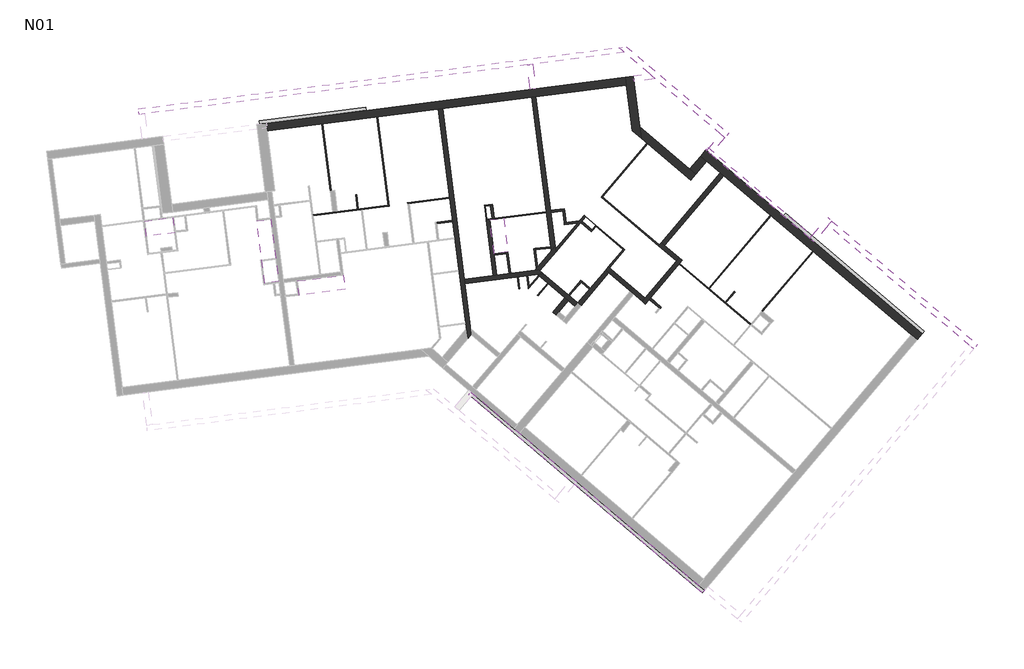
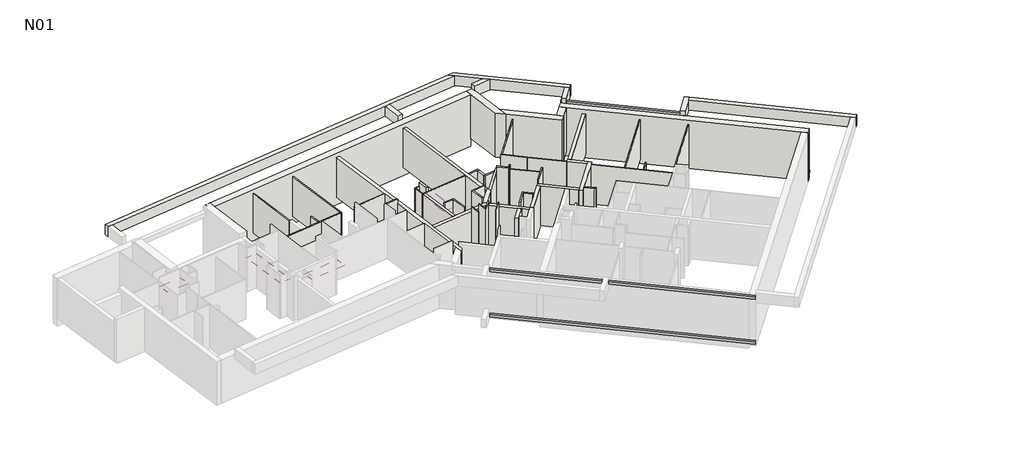
# One storey, part 3 of 3: 61 walls, 5 proxies, 4 coverings.
"""IFC4 building model written with IfcOpenShell, lengths in millimetres."""

from ifc_helpers import new_model, si_unit, frame, origin, place, context, project, spatial, polyline, outline, extrude, faceted_brep, element, save

model = new_model("IFC4")

# Units and contexts
model_context = context("Model", 3, world=origin())
ifc_project = project(units=[si_unit("LENGTHUNIT", "METRE", prefix="MILLI")], contexts=[model_context])

# Site, building, storey
site = spatial("IfcSite", under=ifc_project)
building = spatial("IfcBuilding", under=site)
storey = spatial("IfcBuildingStorey", under=building, Name="N01", Elevation=3070.0)

# Proxies
placement = place(None, origin())
element("IfcBuildingElementProxy", 1, Name="Wall Sweeps", at=placement, inside=storey, context=model_context, shape_type="Brep", body=[
    faceted_brep([(18742.8476858, 2975.0244292, 5982.4), (18742.8476858, 2975.0244292, 5830.0), (18828.5197694, 3075.9702271, 5830.0), (18841.4611717, 3091.218837, 5830.0), (18841.4611717, 3091.218837, 5982.4), (18828.5197694, 3075.9702271, 5982.4), (7979.7679212, 12109.5846437, 5830.0), (7979.7679212, 12109.5846437, 5982.4), (8078.3814071, 12225.7790515, 5982.4), (8078.3814071, 12225.7790515, 5830.0)], [[[0, 1, 2, 3, 4, 5]], [[6, 7, 8, 9]], [[1, 0, 7, 6]], [[4, 3, 9, 8]], [[8, 7, 0, 5, 4]], [[6, 9, 3, 2, 1]]]),
])
element("IfcBuildingElementProxy", 2, Name="Wall Sweeps", at=placement, inside=storey, context=model_context, shape_type="Brep", body=[
    faceted_brep([(18742.8476858, 2975.0244292, 3132.4), (18742.8476858, 2975.0244292, 2980.0), (18828.5197694, 3075.9702271, 2980.0), (18841.4611717, 3091.218837, 2980.0), (18841.4611717, 3091.218837, 3132.4), (18828.5197694, 3075.9702271, 3132.4), (8078.8838858, 12025.4655285, 2980.0), (8078.8838858, 12025.4655285, 3132.4), (8177.4973717, 12141.6599362, 3132.4), (8177.4973717, 12141.6599362, 2980.0)], [[[0, 1, 2, 3, 4, 5]], [[6, 7, 8, 9]], [[1, 0, 7, 6]], [[4, 3, 9, 8]], [[8, 7, 0, 5, 4]], [[6, 9, 3, 2, 1]]]),
])
element("IfcBuildingElementProxy", 3, Name="Wall Sweeps", at=placement, inside=storey, context=model_context, shape_type="Brep", body=[
    faceted_brep([(22573.2536393, 20453.6783445, 3132.4), (22573.2536393, 20453.6783445, 2980.0), (22474.640153, 20337.483937, 2980.0), (22474.640153, 20337.483937, 3132.4), (28969.6614771, 15025.0859519, 2980.0), (28969.6614771, 15025.0859519, 3132.4), (28883.9893932, 14924.1401543, 3132.4), (28871.0479908, 14908.8915444, 3132.4), (28871.0479908, 14908.8915444, 2980.0), (28883.9893932, 14924.1401543, 2980.0)], [[[0, 1, 2, 3]], [[4, 5, 6, 7, 8, 9]], [[1, 0, 5, 4]], [[3, 2, 8, 7]], [[0, 3, 7, 6, 5]], [[2, 1, 4, 9, 8]]]),
])
element("IfcBuildingElementProxy", 4, Name="Wall Sweeps", at=placement, inside=storey, context=model_context, shape_type="SweptSolid", body=[
    extrude(outline(polyline([(18893.2716656, 23376.9695701), (18991.8851519, 23493.1639775), (23786.5827277, 19423.9333336), (23687.9692414, 19307.7389261), (18893.2716656, 23376.9695701)])), frame((0.0, 0.0, 5830.0), z_axis=(0.0, 0.0, 1.0), x_axis=(1.0, 0.0, 0.0)), (0.0, 0.0, 1.0), 152.4),
])
element("IfcBuildingElementProxy", 5, Name="Wall Sweeps", at=placement, inside=storey, context=model_context, shape_type="SweptSolid", body=[
    extrude(outline(polyline([(-1643.4855038, 24570.2175808), (-1662.8063647, 24721.3878965), (3242.2934441, 25348.3016586), (3261.6143051, 25197.1313429), (-1643.4855038, 24570.2175808)])), frame((0.0, 0.0, 2980.0), z_axis=(0.0, 0.0, 1.0), x_axis=(1.0, 0.0, 0.0)), (0.0, 0.0, 1.0), 152.4),
])

# Coverings
element("IfcCovering", 6, at=placement, inside=storey, context=model_context, shape_type="SweptSolid", body=[
    extrude(outline(polyline([(-5655.6614488, 20262.8452919), (-5566.9173369, 19568.4934484), (-6866.3471067, 19402.4151957), (-6955.0912187, 20096.7670392), (-5655.6614488, 20262.8452919)])), frame((0.0, 0.0, 5270.0), z_axis=(0.0, 0.0, 1.0), x_axis=(1.0, 0.0, 0.0)), (0.0, 0.0, 1.0), 200.0),
])
element("IfcCovering", 7, at=placement, inside=storey, context=model_context, shape_type="SweptSolid", body=[
    extrude(outline(polyline([(-1133.4915958, 20185.5299468), (-767.4637918, 17321.6545303), (-1412.2190751, 17239.2492835), (-1778.2468791, 20103.1247), (-1133.4915958, 20185.5299468)])), frame((0.0, 0.0, 5270.0), z_axis=(0.0, 0.0, 1.0), x_axis=(1.0, 0.0, 0.0)), (0.0, 0.0, 1.0), 200.0),
])
element("IfcCovering", 8, at=placement, inside=storey, context=model_context, shape_type="SweptSolid", body=[
    extrude(outline(polyline([(2197.7093677, 17602.6069365), (2279.1565396, 16947.6478588), (168.5348616, 16685.1823515), (87.0876897, 17340.1414292), (2197.7093677, 17602.6069365)])), frame((0.0, 0.0, 5270.0), z_axis=(0.0, 0.0, 1.0), x_axis=(1.0, 0.0, 0.0)), (0.0, 0.0, 1.0), 200.0),
])
element("IfcCovering", 9, at=placement, inside=storey, context=model_context, shape_type="SweptSolid", body=[
    extrude(outline(polyline([(9579.1307714, 20232.9999918), (9778.1711367, 18675.6679999), (9147.9611711, 18595.1217693), (8948.9208057, 20152.4537612), (9579.1307714, 20232.9999918)])), frame((0.0, 0.0, 5270.0), z_axis=(0.0, 0.0, 1.0), x_axis=(1.0, 0.0, 0.0)), (0.0, 0.0, 1.0), 200.0),
])

# Walls
element("IfcWall", 10, at=placement, inside=storey, context=model_context, shape_type="Brep", body=[
    faceted_brep([(18653.8557222, 23094.8702861, 2800.0), (28349.5327642, 14866.2082048, 2800.0), (28631.6320474, 14626.7922604, 2800.0), (28631.6320474, 14626.7922604, 5840.0), (28349.5327642, 14866.2082048, 5840.0), (18935.9550054, 22855.4543417, 5840.0), (18653.8557222, 23094.8702861, 5840.0), (18653.8557222, 23094.8702861, 3070.0), (28871.0479908, 14908.8915444, 2800.0), (18893.2716656, 23376.9695701, 2800.0), (18893.2716656, 23376.9695701, 5840.0), (28871.0479908, 14908.8915444, 5840.0), (28871.0479908, 14908.8915444, 3380.0), (28715.7511627, 14725.9082251, 2800.0)], [[[0, 1, 2, 3, 4, 5, 6, 7]], [[8, 9, 10, 11, 12]], [[2, 1, 0, 9, 8, 13]], [[6, 5, 4, 3, 11, 10]], [[0, 7, 6, 10, 9]], [[11, 3, 2, 13, 8, 12]]]),
])
element("IfcWall", 11, at=placement, inside=storey, context=model_context, shape_type="Brep", body=[
    faceted_brep([(6573.8266873, 25247.4507116, 3070.0), (7091.298347, 21198.648002, 3070.0), (7097.6372121, 21149.0514417, 3070.0), (7227.2035217, 20135.2984845, 3070.0), (7236.0779329, 20065.8633002, 3070.0), (7330.9074492, 19323.8980245, 3070.0), (7337.2463143, 19274.3014642, 3070.0), (7522.1261366, 17827.764419, 3070.0), (7528.4650018, 17778.1678588, 3070.0), (7830.1949823, 15417.3715908, 3070.0), (7836.5338475, 15367.7750306, 3070.0), (7865.2890942, 15142.7881766, 3070.0), (7925.3724793, 14672.6836444, 3070.0), (7925.3724793, 14672.6836444, 5570.0), (7865.2890942, 15142.7881766, 5570.0), (7528.4650018, 17778.1678588, 5570.0), (7522.1261366, 17827.764419, 5570.0), (7337.2463143, 19274.3014642, 5570.0), (7330.9074492, 19323.8980245, 5570.0), (7097.6372121, 21149.0514417, 5570.0), (7091.298347, 21198.648002, 5570.0), (6573.8266873, 25247.4507116, 5570.0), (6772.2129283, 25272.8061722, 3070.0), (6772.2129283, 25272.8061722, 5570.0), (7775.7214118, 17421.1532528, 5570.0), (7801.0768724, 17222.7670118, 5570.0), (8100.609629, 14879.1622679, 5570.0), (8100.609629, 14879.1622679, 3070.0), (8066.276266, 15147.7934292, 3070.0), (7801.0768724, 17222.7670118, 3070.0), (7775.7214118, 17421.1532528, 3070.0), (8089.348342, 14865.8933062, 3070.0)], [[[0, 1, 2, 3, 4, 5, 6, 7, 8, 9, 10, 11, 12, 13, 14, 15, 16, 17, 18, 19, 20, 21]], [[22, 23, 24, 25, 26, 27, 28, 29, 30]], [[12, 11, 10, 9, 8, 7, 6, 5, 4, 3, 2, 1, 0, 22, 30, 29, 28, 27, 31]], [[21, 20, 19, 18, 17, 16, 15, 14, 13, 26, 25, 24, 23]], [[13, 12, 31, 27, 26]], [[0, 21, 23, 22]]]),
])
element("IfcWall", 12, at=placement, inside=storey, context=model_context, shape_type="Brep", body=[
    faceted_brep([(11193.6909618, 17857.9990323, 3070.0), (7775.7214118, 17421.1532528, 3070.0), (7775.7214118, 17421.1532528, 5570.0), (11193.6909618, 17857.9990323, 5570.0), (11400.1695853, 17682.7618826, 3070.0), (11400.1695853, 17682.7618826, 5570.0), (11131.5384241, 17648.4285197, 5570.0), (7801.0768724, 17222.7670118, 5570.0), (7801.0768724, 17222.7670118, 3070.0), (10201.5503886, 17529.5680845, 3070.0), (10251.1469488, 17535.9069496, 3070.0), (10647.9194308, 17586.6178707, 3070.0), (10697.5159911, 17592.9567358, 3070.0), (11131.5384241, 17648.4285197, 3070.0)], [[[0, 1, 2, 3]], [[4, 5, 6, 7, 8, 9, 10, 11, 12, 13]], [[1, 0, 4, 13, 12, 11, 10, 9, 8]], [[3, 2, 7, 6, 5]], [[2, 1, 8, 7]], [[0, 3, 5, 4]]]),
])
element("IfcWall", 13, at=placement, inside=storey, context=model_context, shape_type="Brep", body=[
    faceted_brep([(14881.1827443, 28093.5998998, 5510.0), (15149.6049549, 27865.7916052, 5510.0), (16305.8852466, 26884.4635671, 5510.0), (16574.3074572, 26656.6552726, 5510.0), (19576.408441, 24108.79046, 5510.0), (19774.6403703, 23940.5522295, 5510.0), (19774.6403703, 23940.5522295, 6150.0), (19576.408441, 24108.79046, 6150.0), (16574.3074572, 26656.6552726, 6150.0), (16305.8852466, 26884.4635671, 6150.0), (15149.6049549, 27865.7916052, 6150.0), (14881.1827443, 28093.5998998, 6150.0), (15230.4032539, 28138.2332716, 5510.0), (15230.4032539, 28138.2332716, 6150.0), (19942.8786008, 24138.7841588, 6150.0), (19942.8786008, 24138.7841588, 5510.0)], [[[0, 1, 2, 3, 4, 5, 6, 7, 8, 9, 10, 11]], [[12, 13, 14, 15]], [[5, 4, 3, 2, 1, 0, 12, 15]], [[11, 10, 9, 8, 7, 6, 14, 13]], [[6, 5, 15, 14]], [[0, 11, 13, 12]]]),
])
element("IfcWall", 14, at=placement, inside=storey, context=model_context, shape_type="Brep", body=[
    faceted_brep([(16117.4722812, 16278.6968395, 3070.0), (17665.7819934, 18103.0409285, 3070.0), (17698.1354993, 18141.1624533, 3070.0), (17819.26669, 18283.8890473, 3070.0), (17819.26669, 18283.8890473, 5570.0), (17698.1354993, 18141.1624533, 5570.0), (17665.7819934, 18103.0409285, 5570.0), (16117.4722812, 16278.6968395, 5570.0), (15964.9861818, 16408.110863, 3070.0), (15964.9861818, 16408.110863, 5570.0), (16094.4002053, 16560.5969624, 5570.0), (17537.366567, 18260.8169713, 5570.0), (17666.7805905, 18413.3030708, 5570.0), (17666.7805905, 18413.3030708, 3070.0), (17537.366567, 18260.8169713, 3070.0), (16094.4002053, 16560.5969624, 3070.0)], [[[0, 1, 2, 3, 4, 5, 6, 7]], [[8, 9, 10, 11, 12, 13, 14, 15]], [[3, 2, 1, 0, 8, 15, 14, 13]], [[7, 6, 5, 4, 12, 11, 10, 9]], [[4, 3, 13, 12]], [[0, 7, 9, 8]]]),
])
element("IfcWall", 15, at=placement, inside=storey, context=model_context, shape_type="Brep", body=[
    faceted_brep([(16094.4002053, 16560.5969624, 3070.0), (14463.2402497, 17944.9524777, 3070.0), (14409.8701149, 17990.2473859, 3070.0), (14409.8701149, 17990.2473859, 5570.0), (16094.4002053, 16560.5969624, 5570.0), (15964.9861818, 16408.110863, 3070.0), (15964.9861818, 16408.110863, 5570.0), (15578.6427768, 16735.9981567, 5570.0), (15426.1566773, 16865.4121802, 5570.0), (14432.9421908, 17708.347263, 5570.0), (14280.4560914, 17837.7612865, 5570.0), (14280.4560914, 17837.7612865, 3070.0), (14432.9421908, 17708.347263, 3070.0), (15426.1566773, 16865.4121802, 3070.0), (15578.6427768, 16735.9981567, 3070.0)], [[[0, 1, 2, 3, 4]], [[5, 6, 7, 8, 9, 10, 11, 12, 13, 14]], [[2, 1, 0, 5, 14, 13, 12, 11]], [[4, 3, 10, 9, 8, 7, 6]], [[0, 4, 6, 5]], [[3, 2, 11, 10]]]),
])
element("IfcWall", 16, at=placement, inside=storey, context=model_context, shape_type="Brep", body=[
    faceted_brep([(11253.4682327, 17807.2664267, 3070.0), (11988.2104067, 18672.9992524, 3070.0), (11988.2104067, 18672.9992524, 5570.0), (11253.4682327, 17807.2664267, 5570.0), (11014.8014897, 17835.1354258, 3070.0), (11014.8014897, 17835.1354258, 5570.0), (11778.6398941, 18735.1517901, 5570.0), (11953.8770438, 18941.6304136, 5570.0), (11953.8770438, 18941.6304136, 3070.0), (11778.6398941, 18735.1517901, 3070.0), (11193.6909618, 17857.9990323, 3070.0), (11193.6909618, 17857.9990323, 5570.0)], [[[0, 1, 2, 3]], [[4, 5, 6, 7, 8, 9]], [[1, 0, 10, 4, 9, 8]], [[3, 2, 7, 6, 5, 11]], [[2, 1, 8, 7]], [[0, 3, 11, 10]], [[11, 5, 4, 10]]]),
])
element("IfcWall", 17, at=placement, inside=storey, context=model_context, shape_type="Brep", body=[
    faceted_brep([(11953.8770438, 18941.6304136, 3070.0), (11755.4687414, 20494.0170177, 3070.0), (11742.7910111, 20593.2101382, 3070.0), (11074.421855, 25822.6653165, 3070.0), (11074.421855, 25822.6653165, 5570.0), (11742.7910111, 20593.2101382, 5570.0), (11755.4687414, 20494.0170177, 5570.0), (11953.8770438, 18941.6304136, 5570.0), (11778.6398941, 18735.1517901, 3070.0), (11778.6398941, 18735.1517901, 5570.0), (11554.9273719, 20485.5237178, 5570.0), (11548.5885067, 20535.120278, 5570.0), (10876.035614, 25797.3098559, 5570.0), (10876.035614, 25797.3098559, 3070.0), (11548.5885067, 20535.120278, 3070.0), (11554.9273719, 20485.5237178, 3070.0)], [[[0, 1, 2, 3, 4, 5, 6, 7]], [[8, 9, 10, 11, 12, 13, 14, 15]], [[3, 2, 1, 0, 8, 15, 14, 13]], [[7, 6, 5, 4, 12, 11, 10, 9]], [[0, 7, 9, 8]], [[4, 3, 13, 12]]]),
])
element("IfcWall", 18, at=placement, inside=storey, context=model_context, shape_type="Brep", body=[
    faceted_brep([(17666.7805905, 18413.3030708, 3070.0), (16995.8990446, 18982.676151, 3070.0), (16843.4129451, 19112.0901745, 3070.0), (16843.4129451, 19112.0901745, 5570.0), (16995.8990446, 18982.676151, 5570.0), (17666.7805905, 18413.3030708, 5570.0), (17537.366567, 18260.8169713, 3070.0), (17537.366567, 18260.8169713, 5570.0), (16713.9989216, 18959.604075, 5570.0), (16713.9989216, 18959.604075, 3070.0), (16746.3524275, 18997.7255999, 5570.0)], [[[0, 1, 2, 3, 4, 5]], [[6, 7, 8, 9]], [[2, 1, 0, 6, 9]], [[5, 4, 3, 10, 8, 7]], [[3, 2, 9, 8, 10]], [[0, 5, 7, 6]]]),
])
element("IfcWall", 19, at=placement, inside=storey, context=model_context, shape_type="SweptSolid", body=[
    extrude(outline(polyline([(19718.8195585, 22191.0419613), (16995.8990446, 18982.676151), (16843.4129451, 19112.0901745), (19566.3334595, 22320.4559853), (19718.8195585, 22191.0419613)])), frame((0.0, 0.0, 3070.0), z_axis=(0.0, 0.0, 1.0), x_axis=(1.0, 0.0, 0.0)), (0.0, 0.0, 1.0), 2500.0),
])
element("IfcWall", 20, at=placement, inside=storey, context=model_context, shape_type="Brep", body=[
    faceted_brep([(15193.6253141, 26722.1445339, 3070.0), (15507.785135, 24264.0946865, 3070.0), (15507.785135, 24264.0946865, 5840.0), (15240.5329162, 26355.1299881, 5840.0), (15193.6253141, 26722.1445339, 5840.0), (15560.63986, 26769.0521359, 3070.0), (15560.63986, 26769.0521359, 5840.0), (15856.6075253, 24453.3413857, 5840.0), (15926.1781059, 23909.0071215, 5840.0), (15926.1781059, 23909.0071215, 3070.0)], [[[0, 1, 2, 3, 4]], [[5, 6, 7, 8, 9]], [[1, 0, 5, 9]], [[4, 3, 2, 8, 7, 6]], [[2, 1, 9, 8]], [[0, 4, 6, 5]]]),
])
element("IfcWall", 21, at=placement, inside=storey, context=model_context, shape_type="Brep", body=[
    faceted_brep([(15926.1781059, 23909.0071215, 2800.0), (18195.5282503, 21983.0234816, 2800.0), (18195.5282503, 21983.0234816, 5840.0), (15926.1781059, 23909.0071215, 5840.0), (15926.1781059, 23909.0071215, 3070.0), (15856.6075253, 24453.3413857, 2800.0), (15856.6075253, 24453.3413857, 5840.0), (18152.8449097, 22504.538709, 5840.0), (18434.9441937, 22265.1227656, 5840.0), (18434.9441937, 22265.1227656, 3070.0), (18434.9441937, 22265.1227656, 2800.0)], [[[0, 1, 2, 3, 4]], [[5, 6, 7, 8, 9, 10]], [[1, 0, 5, 10]], [[3, 2, 8, 7, 6]], [[0, 4, 3, 6, 5]], [[2, 1, 10, 9, 8]]]),
])
element("IfcWall", 22, at=placement, inside=storey, context=model_context, shape_type="Brep", body=[
    faceted_brep([(18434.9441937, 22265.1227656, 3070.0), (18935.9550054, 22855.4543417, 3070.0), (18935.9550054, 22855.4543417, 5840.0), (18434.9441937, 22265.1227656, 5840.0), (18152.8449097, 22504.538709, 3070.0), (18152.8449097, 22504.538709, 3270.0), (18152.8449097, 22504.538709, 5840.0), (18653.8557222, 23094.8702861, 5840.0), (18653.8557222, 23094.8702861, 3070.0)], [[[0, 1, 2, 3]], [[4, 5, 6, 7, 8]], [[1, 0, 4, 8]], [[3, 2, 7, 6]], [[0, 3, 6, 5, 4]], [[1, 8, 7, 2]]]),
])
element("IfcWall", 23, at=placement, inside=storey, context=model_context, shape_type="Brep", body=[
    faceted_brep([(-7203.9560084, 25008.8150815, 5510.0), (-6946.0538951, 25041.7771802, 5510.0), (10664.7632628, 27292.5904295, 5510.0), (10922.6653761, 27325.5525282, 5510.0), (15149.6049549, 27865.7916052, 5510.0), (15149.6049549, 27865.7916052, 6150.0), (10922.6653761, 27325.5525282, 6150.0), (10664.7632628, 27292.5904295, 6150.0), (-6946.0538951, 25041.7771802, 6150.0), (-7203.9560084, 25008.8150815, 6150.0), (-7236.9181071, 25266.7171948, 5510.0), (-7236.9181071, 25266.7171948, 6150.0), (14881.1827443, 28093.5998998, 6150.0), (14881.1827443, 28093.5998998, 5510.0)], [[[0, 1, 2, 3, 4, 5, 6, 7, 8, 9]], [[10, 11, 12, 13]], [[4, 3, 2, 1, 0, 10, 13]], [[9, 8, 7, 6, 5, 12, 11]], [[0, 9, 11, 10]], [[5, 4, 13, 12]]]),
])
element("IfcWall", 24, at=placement, inside=storey, context=model_context, shape_type="Brep", body=[
    faceted_brep([(19127.5702791, 23178.1217631, 5510.0), (19774.6403703, 23940.5522295, 5510.0), (19774.6403703, 23940.5522295, 6150.0), (19127.5702529, 23178.1217322, 6150.0), (19127.5702529, 23178.1217322, 5840.0), (19576.408441, 24108.79046, 5510.0), (18929.3383504, 23346.3599943, 5510.0), (18929.3383504, 23346.3599943, 5840.0), (18929.3383236, 23346.3599628, 6150.0), (19576.408441, 24108.79046, 6150.0)], [[[0, 1, 2, 3, 4]], [[5, 6, 7, 8, 9]], [[1, 0, 6, 5]], [[3, 2, 9, 8]], [[0, 4, 7, 6]], [[4, 3, 8, 7]], [[2, 1, 5, 9]]]),
])
element("IfcWall", 25, at=placement, inside=storey, context=model_context, shape_type="Brep", body=[
    faceted_brep([(-1596.5779018, 24203.203035, 2580.0), (15240.5329162, 26355.1299881, 2580.0), (15240.5329162, 26355.1299881, 5840.0), (-1596.5779018, 24203.203035, 5840.0), (-1643.4855038, 24570.2175808, 2580.0), (-1643.4855038, 24570.2175808, 5840.0), (15193.6253141, 26722.1445339, 5840.0), (15193.6253141, 26722.1445339, 3070.0), (15193.6253141, 26722.1445339, 2580.0), (3519.5164184, 25230.0934417, 2580.0), (3261.6143051, 25197.1313429, 2580.0)], [[[0, 1, 2, 3]], [[4, 5, 6, 7, 8, 9, 10]], [[1, 0, 4, 10, 9, 8]], [[3, 2, 6, 5]], [[0, 3, 5, 4]], [[2, 1, 8, 7, 6]]]),
])
element("IfcWall", 26, at=placement, inside=storey, context=model_context, shape_type="Brep", body=[
    faceted_brep([(23886.2011702, 19139.5006949, 5510.0), (24533.2712743, 19901.9311766, 5510.0), (24701.5095049, 20100.1631059, 5510.0), (24701.5095049, 20100.1631059, 6150.0), (24533.2712743, 19901.9311766, 6150.0), (23886.2011569, 19139.5006794, 6150.0), (23886.2011569, 19139.5006794, 5840.0), (23687.9692414, 19307.7389261, 5510.0), (23687.9692414, 19307.7389261, 5840.0), (23687.9692277, 19307.7389099, 6150.0), (24503.2775756, 20268.4013364, 6150.0), (24503.2775756, 20268.4013364, 5510.0)], [[[0, 1, 2, 3, 4, 5, 6]], [[7, 8, 9, 10, 11]], [[2, 1, 0, 7, 11]], [[5, 4, 3, 10, 9]], [[0, 6, 8, 7]], [[6, 5, 9, 8]], [[3, 2, 11, 10]]]),
])
element("IfcWall", 27, at=placement, inside=storey, context=model_context, shape_type="Brep", body=[
    faceted_brep([(24533.2712743, 19901.9311766, 5510.0), (31042.9791032, 14377.1818074, 5510.0), (31241.2110325, 14208.9435768, 5510.0), (31241.2110325, 14208.9435768, 6150.0), (31042.9791032, 14377.1818074, 6150.0), (24533.2712743, 19901.9311766, 6150.0), (24701.5095049, 20100.1631059, 5510.0), (24701.5095049, 20100.1631059, 6150.0), (31409.449263, 14407.1755061, 6150.0), (31409.449263, 14407.1755061, 5510.0)], [[[0, 1, 2, 3, 4, 5]], [[6, 7, 8, 9]], [[2, 1, 0, 6, 9]], [[5, 4, 3, 8, 7]], [[3, 2, 9, 8]], [[0, 5, 7, 6]]]),
])
element("IfcWall", 28, at=placement, inside=storey, context=model_context, shape_type="SweptSolid", body=[
    extrude(outline(polyline([(10922.6653761, 27325.5525282), (11067.1915012, 26194.7509544), (10809.2893879, 26161.7888557), (10664.7632628, 27292.5904295), (10922.6653761, 27325.5525282)])), frame((0.0, 0.0, 5510.0), z_axis=(0.0, 0.0, 1.0), x_axis=(1.0, 0.0, 0.0)), (0.0, 0.0, 1.0), 640.0),
])
element("IfcWall", 29, at=placement, inside=storey, context=model_context, shape_type="Brep", body=[
    faceted_brep([(16305.8852466, 26884.4635671, 5510.0), (15558.1043139, 26788.89076, 5510.0), (15558.1043139, 26788.89076, 5830.0), (15558.1043139, 26788.89076, 5982.4), (15558.1043139, 26788.89076, 6150.0), (16305.8852466, 26884.4635671, 6150.0), (15591.0664127, 26530.9886467, 5510.0), (16574.3074572, 26656.6552726, 5510.0), (16574.3074572, 26656.6552726, 6150.0), (15591.0664127, 26530.9886467, 6150.0)], [[[0, 1, 2, 3, 4, 5]], [[6, 7, 8, 9]], [[1, 0, 7, 6]], [[6, 9, 4, 3, 2, 1]], [[5, 4, 9, 8]], [[0, 5, 8, 7]]]),
])
element("IfcWall", 30, at=placement, inside=storey, context=model_context, shape_type="Brep", body=[
    faceted_brep([(12000.6753302, 15769.7097053, 3070.0), (12130.0893537, 15922.1958047, 3070.0), (12563.6263324, 16433.0242379, 3070.0), (12563.6263324, 16433.0242379, 5570.0), (12130.0893537, 15922.1958047, 5570.0), (12000.6753302, 15769.7097053, 5570.0), (11848.1892308, 15899.1237288, 3070.0), (11848.1892308, 15899.1237288, 5570.0), (12411.1402329, 16562.4382614, 5570.0), (12411.1402329, 16562.4382614, 3070.0)], [[[0, 1, 2, 3, 4, 5]], [[6, 7, 8, 9]], [[2, 1, 0, 6, 9]], [[5, 4, 3, 8, 7]], [[0, 5, 7, 6]], [[3, 2, 9, 8]]]),
])
element("IfcWall", 31, at=placement, inside=storey, context=model_context, shape_type="Brep", body=[
    faceted_brep([(12998.0125548, 16326.6822904, 3070.0), (11400.1695853, 17682.7618826, 3070.0), (11400.1695853, 17682.7618826, 5570.0), (12998.0125548, 16326.6822904, 5570.0), (12868.5985313, 16174.196191, 3070.0), (12868.5985313, 16174.196191, 5570.0), (12563.6263324, 16433.0242379, 5570.0), (12411.1402329, 16562.4382614, 5570.0), (11131.5384241, 17648.4285197, 5570.0), (11131.5384241, 17648.4285197, 3070.0), (11191.2514373, 17597.7504492, 3070.0), (11229.3729621, 17565.3969433, 3070.0), (11610.5882108, 17241.8618846, 3070.0), (11648.7097356, 17209.5083788, 3070.0), (12411.1402329, 16562.4382614, 3070.0), (12563.6263324, 16433.0242379, 3070.0)], [[[0, 1, 2, 3]], [[4, 5, 6, 7, 8, 9, 10, 11, 12, 13, 14, 15]], [[1, 0, 4, 15, 14, 13, 12, 11, 10, 9]], [[3, 2, 8, 7, 6, 5]], [[0, 3, 5, 4]], [[2, 1, 9, 8]]]),
])
element("IfcWall", 32, at=placement, inside=storey, context=model_context, shape_type="SweptSolid", body=[
    extrude(outline(polyline([(14432.9421908, 17708.347263), (13150.4986542, 16197.2682669), (12998.0125548, 16326.6822904), (14280.4560914, 17837.7612865), (14432.9421908, 17708.347263)])), frame((0.0, 0.0, 3070.0), z_axis=(0.0, 0.0, 1.0), x_axis=(1.0, 0.0, 0.0)), (0.0, 0.0, 1.0), 2500.0),
])
element("IfcWall", 33, ObjectType="CLO 10", at=placement, inside=storey, context=model_context, shape_type="Brep", body=[
    faceted_brep([(16292.1812129, 16484.5530737, 3070.0), (16749.6395113, 16096.3110033, 3070.0), (16787.7610362, 16063.9574974, 3070.0), (16787.7610362, 16063.9574974, 5570.0), (16749.6395113, 16096.3110033, 5570.0), (16292.1812129, 16484.5530737, 5570.0), (16356.8882247, 16560.7961235, 3070.0), (16356.8882247, 16560.7961235, 5570.0), (16852.4680479, 16140.2005472, 5570.0), (16852.4680479, 16140.2005472, 3070.0)], [[[0, 1, 2, 3, 4, 5]], [[6, 7, 8, 9]], [[2, 1, 0, 6, 9]], [[5, 4, 3, 8, 7]], [[0, 5, 7, 6]], [[3, 2, 9, 8]]]),
])
element("IfcWall", 34, ObjectType="CLO 10", at=placement, inside=storey, context=model_context, shape_type="Brep", body=[
    faceted_brep([(11988.2104067, 18672.9992524, 3070.0), (13133.4245751, 20022.3834758, 3070.0), (13198.1315868, 20098.6265256, 3070.0), (13359.8991162, 20289.2341499, 3070.0), (13372.8405185, 20304.4827598, 3070.0), (13372.8405185, 20304.4827598, 5570.0), (13359.8991162, 20289.2341499, 5570.0), (11988.2104067, 18672.9992524, 5570.0), (11971.0437253, 18807.314833, 3070.0), (11971.0437253, 18807.314833, 5570.0), (12979.1301683, 19995.1240478, 5570.0), (13075.0997805, 20108.2032291, 5570.0), (13296.5974688, 20369.1897716, 5570.0), (13296.5974688, 20369.1897716, 3070.0), (13075.0997805, 20108.2032291, 3070.0), (12979.1301683, 19995.1240478, 3070.0)], [[[0, 1, 2, 3, 4, 5, 6, 7]], [[8, 9, 10, 11, 12, 13, 14, 15]], [[4, 3, 2, 1, 0, 8, 15, 14, 13]], [[7, 6, 5, 12, 11, 10, 9]], [[5, 4, 13, 12]], [[0, 7, 9, 8]]]),
])
element("IfcWall", 35, ObjectType="CLO 10", at=placement, inside=storey, context=model_context, shape_type="Brep", body=[
    faceted_brep([(13075.0997805, 20108.2032291, 3070.0), (12469.9515412, 20030.8601017, 3070.0), (12370.7584207, 20018.1823715, 3070.0), (12370.7584207, 20018.1823715, 5570.0), (12469.9515412, 20030.8601017, 5570.0), (13075.0997805, 20108.2032291, 5570.0), (12979.1301683, 19995.1240478, 3070.0), (12979.1301683, 19995.1240478, 5570.0), (12383.436151, 19918.989251, 5570.0), (12383.436151, 19918.989251, 3070.0)], [[[0, 1, 2, 3, 4, 5]], [[6, 7, 8, 9]], [[2, 1, 0, 6, 9]], [[5, 4, 3, 8, 7]], [[3, 2, 9, 8]], [[0, 5, 7, 6]]]),
])
element("IfcWall", 36, ObjectType="CLO 10", at=placement, inside=storey, context=model_context, shape_type="Brep", body=[
    faceted_brep([(12387.5462944, 20675.615385, 3070.0), (11742.7910111, 20593.2101382, 3070.0), (11742.7910111, 20593.2101382, 5570.0), (12387.5462944, 20675.615385, 5570.0), (12400.2240247, 20576.4222645, 3070.0), (12400.2240247, 20576.4222645, 5570.0), (12301.0309042, 20563.7445342, 5570.0), (11755.4687414, 20494.0170177, 5570.0), (11755.4687414, 20494.0170177, 3070.0), (12301.0309042, 20563.7445342, 3070.0)], [[[0, 1, 2, 3]], [[4, 5, 6, 7, 8, 9]], [[1, 0, 4, 9, 8]], [[3, 2, 7, 6, 5]], [[0, 3, 5, 4]], [[2, 1, 8, 7]]]),
])
element("IfcWall", 37, ObjectType="CLO 10", at=placement, inside=storey, context=model_context, shape_type="SweptSolid", body=[
    extrude(outline(polyline([(12370.7584207, 20018.1823715), (12301.0309042, 20563.7445342), (12400.2240247, 20576.4222645), (12469.9515412, 20030.8601017), (12370.7584207, 20018.1823715)])), frame((0.0, 0.0, 3070.0), z_axis=(0.0, 0.0, 1.0), x_axis=(1.0, 0.0, 0.0)), (0.0, 0.0, 1.0), 2500.0),
])
element("IfcWall", 38, ObjectType="CLO 10", at=placement, inside=storey, context=model_context, shape_type="Brep", body=[
    faceted_brep([(13133.4245751, 20022.3834758, 3070.0), (13629.0043983, 19601.7878995, 3070.0), (13629.0043983, 19601.7878995, 5840.0), (13133.4245751, 20022.3834758, 5840.0), (13198.1315868, 20098.6265256, 3070.0), (13198.1315868, 20098.6265256, 5840.0), (13655.5898852, 19710.3844551, 5840.0), (13693.7114101, 19678.0309493, 5840.0), (13693.7114101, 19678.0309493, 3070.0), (13655.5898852, 19710.3844551, 3070.0)], [[[0, 1, 2, 3]], [[4, 5, 6, 7, 8, 9]], [[1, 0, 4, 9, 8]], [[3, 2, 7, 6, 5]], [[2, 1, 8, 7]], [[0, 3, 5, 4]]]),
])
element("IfcWall", 39, ObjectType="CLO 10", at=placement, inside=storey, context=model_context, shape_type="Brep", body=[
    faceted_brep([(9150.8874937, 20228.673555, 3070.0), (9074.821112, 20823.832278, 3070.0), (9074.821112, 20823.832278, 5570.0), (9074.821112, 20823.832278, 5840.0), (9150.8874937, 20228.673555, 5840.0), (9051.6943732, 20215.9958247, 3070.0), (9051.6943732, 20215.9958247, 5840.0), (8975.6279915, 20811.1545478, 5840.0), (8975.6279915, 20811.1545478, 3070.0)], [[[0, 1, 2, 3, 4]], [[5, 6, 7, 8]], [[1, 0, 5, 8]], [[4, 3, 7, 6]], [[0, 4, 6, 5]], [[3, 2, 1, 8, 7]]]),
])
element("IfcWall", 40, ObjectType="CLO 2", at=placement, inside=storey, context=model_context, shape_type="SweptSolid", body=[
    extrude(outline(polyline([(8783.8729478, 20181.765953), (8707.8065662, 20776.924676), (8727.6451903, 20779.4602221), (8803.7115719, 20184.3014991), (8783.8729478, 20181.765953)])), frame((0.0, 0.0, 3070.0), z_axis=(0.0, 0.0, 1.0), x_axis=(1.0, 0.0, 0.0)), (0.0, 0.0, 1.0), 2500.0),
])
element("IfcWall", 41, ObjectType="CLO 2", at=placement, inside=storey, context=model_context, shape_type="SweptSolid", body=[
    extrude(outline(polyline([(13817.3574145, 19900.9920795), (13359.8991162, 20289.2341499), (13372.8405185, 20304.4827598), (13830.2988169, 19916.2406894), (13817.3574145, 19900.9920795)])), frame((0.0, 0.0, 3070.0), z_axis=(0.0, 0.0, 1.0), x_axis=(1.0, 0.0, 0.0)), (0.0, 0.0, 1.0), 2500.0),
])
element("IfcWall", 42, ObjectType="CLO 5", at=placement, inside=storey, context=model_context, shape_type="SweptSolid", body=[
    extrude(outline(polyline([(10251.1469488, 17535.9069496), (10322.1422384, 16980.4254748), (10272.5456781, 16974.0866097), (10201.5503886, 17529.5680845), (10251.1469488, 17535.9069496)])), frame((0.0, 0.0, 3070.0), z_axis=(0.0, 0.0, 1.0), x_axis=(1.0, 0.0, 0.0)), (0.0, 0.0, 1.0), 2770.0),
])
element("IfcWall", 43, ObjectType="CLO 5", at=placement, inside=storey, context=model_context, shape_type="Brep", body=[
    faceted_brep([(11191.2514373, 17597.7504492, 3070.0), (10761.6055806, 17091.5068516, 3070.0), (10717.7962932, 17039.8871957, 3070.0), (10717.7962932, 17039.8871957, 5840.0), (10761.6055806, 17091.5068516, 5840.0), (11191.2514373, 17597.7504492, 5840.0), (11229.3729621, 17565.3969433, 3070.0), (11229.3729621, 17565.3969433, 5840.0), (10726.3796339, 16972.7294054, 5840.0), (10726.3796339, 16972.7294054, 3070.0)], [[[0, 1, 2, 3, 4, 5]], [[6, 7, 8, 9]], [[2, 1, 0, 6, 9]], [[5, 4, 3, 8, 7]], [[3, 2, 9, 8]], [[0, 5, 7, 6]]]),
])
element("IfcWall", 44, ObjectType="CLO 5", at=placement, inside=storey, context=model_context, shape_type="SweptSolid", body=[
    extrude(outline(polyline([(11142.841508, 16690.7247797), (11610.5882108, 17241.8618846), (11648.7097356, 17209.5083788), (11180.9630329, 16658.3712739), (11142.841508, 16690.7247797)])), frame((0.0, 0.0, 3070.0), z_axis=(0.0, 0.0, 1.0), x_axis=(1.0, 0.0, 0.0)), (0.0, 0.0, 1.0), 2770.0),
])
element("IfcWall", 45, ObjectType="CLO 5", at=placement, inside=storey, context=model_context, shape_type="Brep", body=[
    faceted_brep([(17665.7819934, 18103.0409285, 3070.0), (20936.6661184, 15327.0615018, 3070.0), (20936.6661184, 15327.0615018, 5570.0), (17665.7819934, 18103.0409285, 5570.0), (17698.1354993, 18141.1624533, 3070.0), (17698.1354993, 18141.1624533, 5570.0), (19024.8218562, 17015.211826, 5570.0), (19062.9433811, 16982.8583201, 5570.0), (19785.9138685, 16369.2776726, 5570.0), (19824.0353934, 16336.9241668, 5570.0), (20969.0196243, 15365.1830266, 5570.0), (20969.0196243, 15365.1830266, 3070.0), (19824.0353934, 16336.9241668, 3070.0), (19785.9138685, 16369.2776726, 3070.0), (19062.9433811, 16982.8583201, 3070.0), (19024.8218562, 17015.211826, 3070.0)], [[[0, 1, 2, 3]], [[4, 5, 6, 7, 8, 9, 10, 11, 12, 13, 14, 15]], [[1, 0, 4, 15, 14, 13, 12, 11]], [[3, 2, 10, 9, 8, 7, 6, 5]], [[2, 1, 11, 10]], [[0, 3, 5, 4]]]),
])
element("IfcWall", 46, ObjectType="CLO 5", at=placement, inside=storey, context=model_context, shape_type="SweptSolid", body=[
    extrude(outline(polyline([(21906.9950797, 20333.9507174), (19062.9433811, 16982.8583201), (19024.8218562, 17015.211826), (21868.873555, 20366.3042234), (21906.9950797, 20333.9507174)])), frame((0.0, 0.0, 3070.0), z_axis=(0.0, 0.0, 1.0), x_axis=(1.0, 0.0, 0.0)), (0.0, 0.0, 1.0), 2500.0),
])
element("IfcWall", 47, ObjectType="CLO 5", at=placement, inside=storey, context=model_context, shape_type="SweptSolid", body=[
    extrude(outline(polyline([(23851.1928425, 18683.9219118), (21521.7404072, 15939.1721067), (21483.6188824, 15971.5256125), (23813.0713177, 18716.2754178), (23851.1928425, 18683.9219118)])), frame((0.0, 0.0, 3070.0), z_axis=(0.0, 0.0, 1.0), x_axis=(1.0, 0.0, 0.0)), (0.0, 0.0, 1.0), 2500.0),
])
element("IfcWall", 48, ObjectType="CLO 5", at=placement, inside=storey, context=model_context, shape_type="SweptSolid", body=[
    extrude(outline(polyline([(10697.5159911, 17592.9567358), (10761.6055806, 17091.5068516), (10717.7962932, 17039.8871957), (10647.9194308, 17586.6178707), (10697.5159911, 17592.9567358)])), frame((0.0, 0.0, 3070.0), z_axis=(0.0, 0.0, 1.0), x_axis=(1.0, 0.0, 0.0)), (0.0, 0.0, 1.0), 2770.0),
])
element("IfcWall", 49, ObjectType="CLO 5", at=placement, inside=storey, context=model_context, shape_type="SweptSolid", body=[
    extrude(outline(polyline([(15162.3025268, 20342.0990987), (16746.3524275, 18997.7255999), (16713.9989216, 18959.604075), (15129.9490209, 20303.9775738), (15162.3025268, 20342.0990987)])), frame((0.0, 0.0, 3070.0), z_axis=(0.0, 0.0, 1.0), x_axis=(1.0, 0.0, 0.0)), (0.0, 0.0, 1.0), 2500.0),
])
element("IfcWall", 50, ObjectType="CLO 5", at=placement, inside=storey, context=model_context, shape_type="Brep", body=[
    faceted_brep([(14070.1706297, 21203.405037, 3070.0), (15129.9490209, 20303.9775738, 3070.0), (15129.9490209, 20303.9775738, 5570.0), (14070.1706297, 21203.405037, 5570.0), (14102.5241355, 21241.5265619, 3070.0), (14102.5241355, 21241.5265619, 5570.0), (14140.6456604, 21209.173056, 5570.0), (15162.3025268, 20342.0990987, 5570.0), (15162.3025268, 20342.0990987, 3070.0), (14140.6456604, 21209.173056, 3070.0)], [[[0, 1, 2, 3]], [[4, 5, 6, 7, 8, 9]], [[1, 0, 4, 9, 8]], [[2, 1, 8, 7]], [[3, 2, 7, 6, 5]], [[0, 3, 5, 4]]]),
])
element("IfcWall", 51, ObjectType="CLO 5", at=placement, inside=storey, context=model_context, shape_type="SweptSolid", body=[
    extrude(outline(polyline([(16220.199939, 23659.4725833), (14140.6456604, 21209.173056), (14102.5241355, 21241.5265619), (16182.0784141, 23691.8260891), (16220.199939, 23659.4725833)])), frame((0.0, 0.0, 3070.0), z_axis=(0.0, 0.0, 1.0), x_axis=(1.0, 0.0, 0.0)), (0.0, 0.0, 1.0), 2500.0),
])
element("IfcWall", 52, ObjectType="CLO 5", at=placement, inside=storey, context=model_context, shape_type="Brep", body=[
    faceted_brep([(13693.7114101, 19678.0309493, 3070.0), (13836.0668359, 19845.7656587, 3070.0), (13836.0668359, 19845.7656587, 5840.0), (13693.7114101, 19678.0309493, 5840.0), (13655.5898852, 19710.3844551, 3070.0), (13655.5898852, 19710.3844551, 5840.0), (13797.945311, 19878.1191645, 5840.0), (13797.945311, 19878.1191645, 5570.0), (13797.945311, 19878.1191645, 3070.0)], [[[0, 1, 2, 3]], [[4, 5, 6, 7, 8]], [[1, 0, 4, 8]], [[3, 2, 6, 5]], [[2, 1, 8, 7, 6]], [[0, 3, 5, 4]]]),
])
element("IfcWall", 53, ObjectType="CLO 5", at=placement, inside=storey, context=model_context, shape_type="Brep", body=[
    faceted_brep([(8790.2118129, 20132.1693927, 3070.0), (8948.9208057, 20152.4537612, 3070.0), (11554.9273719, 20485.5237178, 3070.0), (11554.9273719, 20485.5237178, 5570.0), (8948.9208057, 20152.4537612, 5570.0), (8790.2118129, 20132.1693927, 5570.0), (8783.8729478, 20181.765953, 3070.0), (8783.8729478, 20181.765953, 5570.0), (8803.7115719, 20184.3014991, 5570.0), (11548.5885067, 20535.120278, 5570.0), (11548.5885067, 20535.120278, 3070.0), (9150.8874937, 20228.673555, 3070.0), (9051.6943732, 20215.9958247, 3070.0), (8803.7115719, 20184.3014991, 3070.0)], [[[0, 1, 2, 3, 4, 5]], [[6, 7, 8, 9, 10, 11, 12, 13]], [[2, 1, 0, 6, 13, 12, 11, 10]], [[5, 4, 3, 9, 8, 7]], [[0, 5, 7, 6]], [[3, 2, 10, 9]]]),
])
element("IfcWall", 54, ObjectType="CLO 5", at=placement, inside=storey, context=model_context, shape_type="Brep", body=[
    faceted_brep([(9068.4822469, 20873.4288383, 3070.0), (8701.467701, 20826.5212363, 3070.0), (8701.467701, 20826.5212363, 5570.0), (9068.4822469, 20873.4288383, 5570.0), (9074.821112, 20823.832278, 3070.0), (9074.821112, 20823.832278, 5570.0), (8727.6451903, 20779.4602221, 5570.0), (8707.8065662, 20776.924676, 5570.0), (8707.8065662, 20776.924676, 3070.0), (8727.6451903, 20779.4602221, 3070.0), (8975.6279915, 20811.1545478, 3070.0)], [[[0, 1, 2, 3]], [[4, 5, 6, 7, 8, 9, 10]], [[1, 0, 4, 10, 9, 8]], [[3, 2, 7, 6, 5]], [[0, 3, 5, 4]], [[2, 1, 8, 7]]]),
])
element("IfcWall", 55, ObjectType="CLO 5", at=placement, inside=storey, context=model_context, shape_type="Brep", body=[
    faceted_brep([(7091.298347, 21198.648002, 3070.0), (5152.0728412, 20950.7983751, 3070.0), (5152.0728412, 20950.7983751, 5570.0), (7091.298347, 21198.648002, 5570.0), (7097.6372121, 21149.0514417, 3070.0), (7097.6372121, 21149.0514417, 5570.0), (5158.4117063, 20901.2018149, 5570.0), (5158.4117063, 20901.2018149, 3070.0), (5227.8468906, 20910.076226, 3070.0)], [[[0, 1, 2, 3]], [[4, 5, 6, 7, 8]], [[1, 0, 4, 8, 7]], [[3, 2, 6, 5]], [[2, 1, 7, 6]], [[0, 3, 5, 4]]]),
])
element("IfcWall", 56, ObjectType="CLO 5", at=placement, inside=storey, context=model_context, shape_type="Brep", body=[
    faceted_brep([(4310.310526, 20792.807221, 3070.0), (3786.5000012, 24891.2064909, 3070.0), (3786.5000012, 24891.2064909, 5570.0), (4310.310526, 20792.807221, 5570.0), (4260.7139657, 20786.4683559, 3070.0), (4260.7139657, 20786.4683559, 5570.0), (4254.3751006, 20836.0649161, 5570.0), (3736.903441, 24884.8676257, 5570.0), (3736.903441, 24884.8676257, 3070.0), (4254.3751006, 20836.0649161, 3070.0)], [[[0, 1, 2, 3]], [[4, 5, 6, 7, 8, 9]], [[1, 0, 4, 9, 8]], [[3, 2, 7, 6, 5]], [[0, 3, 5, 4]], [[2, 1, 8, 7]]]),
])
element("IfcWall", 57, ObjectType="CLO 5", at=placement, inside=storey, context=model_context, shape_type="Brep", body=[
    faceted_brep([(2895.4293497, 20662.3800113, 3070.0), (2813.0241029, 21307.1352946, 3070.0), (2813.0241029, 21307.1352946, 5570.0), (2895.4293497, 20662.3800113, 5570.0), (2845.8327895, 20656.0411462, 3070.0), (2845.8327895, 20656.0411462, 5170.0), (2845.8327895, 20656.0411462, 5570.0), (2763.4275427, 21300.7964295, 5570.0), (2763.4275427, 21300.7964295, 3070.0)], [[[0, 1, 2, 3]], [[4, 5, 6, 7, 8]], [[1, 0, 4, 8]], [[2, 1, 8, 7]], [[3, 2, 7, 6]], [[0, 3, 6, 5, 4]]]),
])
element("IfcWall", 58, ObjectType="CLO 5", at=placement, inside=storey, context=model_context, shape_type="Brep", body=[
    faceted_brep([(4254.3751006, 20836.0649161, 3070.0), (2895.4293497, 20662.3800113, 3070.0), (2845.8327895, 20656.0411462, 3070.0), (1923.3367688, 20538.1382546, 3070.0), (1724.9505278, 20512.7827941, 3070.0), (802.4545071, 20394.8799025, 3070.0), (802.4545071, 20394.8799025, 5570.0), (1724.9505278, 20512.7827941, 5570.0), (1923.3367688, 20538.1382546, 5570.0), (2845.8327895, 20656.0411462, 5570.0), (2895.4293497, 20662.3800113, 5570.0), (4254.3751006, 20836.0649161, 5570.0), (4260.7139657, 20786.4683559, 3070.0), (4260.7139657, 20786.4683559, 5570.0), (3070.3965197, 20634.3355925, 5570.0), (3020.7999595, 20627.9967274, 5570.0), (808.7933722, 20345.2833423, 5570.0), (808.7933722, 20345.2833423, 3070.0)], [[[0, 1, 2, 3, 4, 5, 6, 7, 8, 9, 10, 11]], [[12, 13, 14, 15, 16, 17]], [[5, 4, 3, 2, 1, 0, 12, 17]], [[11, 10, 9, 8, 7, 6, 16, 15, 14, 13]], [[0, 11, 13, 12]], [[6, 5, 17, 16]]]),
])
element("IfcWall", 59, ObjectType="CLO 5", at=placement, inside=storey, context=model_context, shape_type="SweptSolid", body=[
    extrude(outline(polyline([(1598.173225, 21504.7139991), (1207.4788681, 24561.5855037), (1257.0754284, 24567.9243688), (1647.7697853, 21511.0528642), (1598.173225, 21504.7139991)])), frame((0.0, 0.0, 3070.0), z_axis=(0.0, 0.0, 1.0), x_axis=(1.0, 0.0, 0.0)), (0.0, 0.0, 1.0), 2500.0),
])
element("IfcWall", 60, ObjectType="CLO 5", at=placement, inside=storey, context=model_context, shape_type="Brep", body=[
    faceted_brep([(15117.3848406, 18823.8986235, 3070.0), (13830.2988169, 19916.2406894, 3070.0), (13830.2988169, 19916.2406894, 5570.0), (15117.3848406, 18823.8986235, 5570.0), (15085.0313347, 18785.7770987, 3070.0), (15085.0313347, 18785.7770987, 5570.0), (13797.945311, 19878.1191645, 5570.0), (13797.945311, 19878.1191645, 3070.0), (13836.0668359, 19845.7656587, 3070.0), (13817.3574145, 19900.9920795, 3070.0), (13817.3574145, 19900.9920795, 5570.0)], [[[0, 1, 2, 3]], [[4, 5, 6, 7, 8]], [[1, 0, 4, 8, 7, 9]], [[3, 2, 10, 6, 5]], [[2, 1, 9, 7, 6, 10]], [[0, 3, 5, 4]]]),
])
element("IfcWall", 61, ObjectType="CLO 5", at=placement, inside=storey, context=model_context, shape_type="SweptSolid", body=[
    extrude(outline(polyline([(20244.6309697, 16832.50399), (19824.0353934, 16336.9241668), (19785.9138685, 16369.2776726), (20206.5094448, 16864.8574959), (20244.6309697, 16832.50399)])), frame((0.0, 0.0, 3070.0), z_axis=(0.0, 0.0, 1.0), x_axis=(1.0, 0.0, 0.0)), (0.0, 0.0, 1.0), 2500.0),
])
element("IfcWall", 62, ObjectType="CLO 7", at=placement, inside=storey, context=model_context, shape_type="Brep", body=[
    faceted_brep([(14463.2402497, 17944.9524777, 3070.0), (15170.7549754, 18778.6037153, 3070.0), (15170.7549754, 18778.6037153, 5840.0), (14463.2402497, 17944.9524777, 5840.0), (14409.8701149, 17990.2473859, 3070.0), (14409.8701149, 17990.2473859, 5570.0), (14409.8701149, 17990.2473859, 5840.0), (15117.3848406, 18823.8986235, 5840.0), (15117.3848406, 18823.8986235, 5570.0), (15117.3848406, 18823.8986235, 3070.0), (15085.0313347, 18785.7770987, 3070.0)], [[[0, 1, 2, 3]], [[4, 5, 6, 7, 8, 9, 10]], [[1, 0, 4, 10, 9]], [[3, 2, 7, 6]], [[2, 1, 9, 8, 7]], [[0, 3, 6, 5, 4]]]),
])
element("IfcWall", 63, ObjectType="CLO 7", at=placement, inside=storey, context=model_context, shape_type="Brep", body=[
    faceted_brep([(12618.2188228, 16649.0109166, 3070.0), (13155.2870202, 17281.8282293, 3070.0), (13200.5819284, 17335.1983641, 3070.0), (13200.5819284, 17335.1983641, 5840.0), (13155.2870202, 17281.8282293, 5840.0), (12618.2188228, 16649.0109166, 5840.0), (12564.848688, 16694.3058248, 3070.0), (12564.848688, 16694.3058248, 5840.0), (13147.2117936, 17380.4932723, 5840.0), (13147.2117936, 17380.4932723, 3070.0)], [[[0, 1, 2, 3, 4, 5]], [[6, 7, 8, 9]], [[2, 1, 0, 6, 9]], [[5, 4, 3, 8, 7]], [[0, 5, 7, 6]], [[3, 2, 9, 8]]]),
])
element("IfcWall", 64, ObjectType="CLO 7", at=placement, inside=storey, context=model_context, shape_type="SweptSolid", body=[
    extrude(outline(polyline([(13535.0807522, 16959.4996032), (13155.2870202, 17281.8282293), (13200.5819284, 17335.1983641), (13580.3756604, 17012.869738), (13535.0807522, 16959.4996032)])), frame((0.0, 0.0, 3070.0), z_axis=(0.0, 0.0, 1.0), x_axis=(1.0, 0.0, 0.0)), (0.0, 0.0, 1.0), 2770.0),
])
element("IfcWall", 65, ObjectType="CLO 7", at=placement, inside=storey, context=model_context, shape_type="Brep", body=[
    faceted_brep([(9903.7474971, 17693.1332106, 3070.0), (9778.1711367, 18675.6679999, 3070.0), (9778.1711367, 18675.6679999, 5840.0), (9903.7474971, 17693.1332106, 5840.0), (9834.3123127, 17684.2587994, 3070.0), (9834.3123127, 17684.2587994, 5840.0), (9717.6103636, 18597.3584044, 5840.0), (9708.7359524, 18666.7935887, 5840.0), (9708.7359524, 18666.7935887, 3070.0), (9717.6103636, 18597.3584044, 3070.0)], [[[0, 1, 2, 3]], [[4, 5, 6, 7, 8, 9]], [[1, 0, 4, 9, 8]], [[3, 2, 7, 6, 5]], [[0, 3, 5, 4]], [[2, 1, 8, 7]]]),
])
element("IfcWall", 66, ObjectType="CLO 7", at=placement, inside=storey, context=model_context, shape_type="SweptSolid", body=[
    extrude(outline(polyline([(9717.6103636, 18597.3584044), (9156.8355823, 18525.6865849), (9147.9611711, 18595.1217693), (9708.7359524, 18666.7935887), (9717.6103636, 18597.3584044)])), frame((0.0, 0.0, 3070.0), z_axis=(0.0, 0.0, 1.0), x_axis=(1.0, 0.0, 0.0)), (0.0, 0.0, 1.0), 2770.0),
])
element("IfcWall", 67, ObjectType="CLO 7", at=placement, inside=storey, context=model_context, shape_type="Brep", body=[
    faceted_brep([(10968.4885827, 18827.8007632, 3070.0), (11080.7648391, 17949.3286719, 3070.0), (11080.7648391, 17949.3286719, 5840.0), (10968.4885827, 18827.8007632, 5840.0), (11037.9237671, 18836.6751744, 3070.0), (11037.9237671, 18836.6751744, 5840.0), (11046.7981783, 18767.2399901, 5840.0), (11150.2000235, 17958.2030831, 5840.0), (11150.2000235, 17958.2030831, 3070.0), (11046.7981783, 18767.2399901, 3070.0)], [[[0, 1, 2, 3]], [[4, 5, 6, 7, 8, 9]], [[1, 0, 4, 9, 8]], [[2, 1, 8, 7]], [[3, 2, 7, 6, 5]], [[0, 3, 5, 4]]]),
])
element("IfcWall", 68, ObjectType="CLO 7", at=placement, inside=storey, context=model_context, shape_type="SweptSolid", body=[
    extrude(outline(polyline([(11762.8421484, 18858.7565416), (11046.7981783, 18767.2399901), (11037.9237671, 18836.6751744), (11753.9677372, 18928.1917259), (11762.8421484, 18858.7565416)])), frame((0.0, 0.0, 3070.0), z_axis=(0.0, 0.0, 1.0), x_axis=(1.0, 0.0, 0.0)), (0.0, 0.0, 1.0), 2770.0),
])
element("IfcWall", 69, ObjectType="CLO 7", at=placement, inside=storey, context=model_context, shape_type="SweptSolid", body=[
    extrude(outline(polyline([(6503.0937417, 20042.7510535), (7227.2035217, 20135.2984845), (7236.0779329, 20065.8633002), (6511.9681529, 19973.3158691), (6503.0937417, 20042.7510535)])), frame((0.0, 0.0, 3070.0), z_axis=(0.0, 0.0, 1.0), x_axis=(1.0, 0.0, 0.0)), (0.0, 0.0, 1.0), 2770.0),
])
element("IfcWall", 70, ObjectType="EXT 16 ST", at=placement, inside=storey, context=model_context, shape_type="Brep", body=[
    faceted_brep([(9273.5375314, 17612.58698, 3070.0), (9156.8355823, 18525.6865849, 3070.0), (9147.9611711, 18595.1217693, 3070.0), (8948.9208057, 20152.4537612, 3070.0), (8948.9208057, 20152.4537612, 5570.0), (9273.5375314, 17612.58698, 5570.0), (9114.8285386, 17592.3026115, 3070.0), (9114.8285386, 17592.3026115, 5570.0), (8790.2118129, 20132.1693927, 5570.0), (8790.2118129, 20132.1693927, 3070.0)], [[[0, 1, 2, 3, 4, 5]], [[6, 7, 8, 9]], [[3, 2, 1, 0, 6, 9]], [[5, 4, 8, 7]], [[0, 5, 7, 6]], [[4, 3, 9, 8]]]),
])

save(model, "model.ifc")
